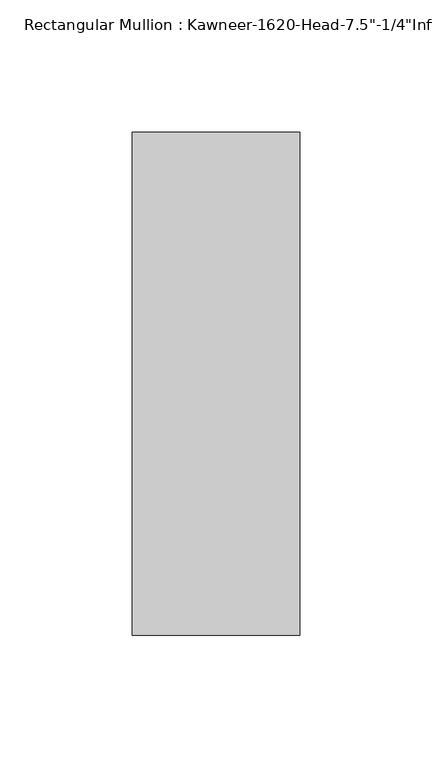
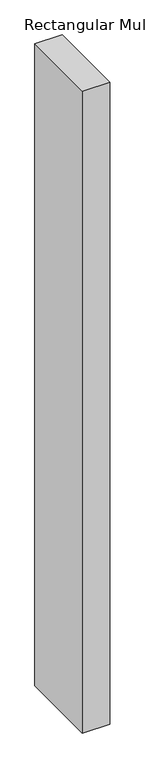
"""IFC4 building model written with IfcOpenShell, lengths in millimetres: member geometry."""

from ifc_helpers import new_model, si_unit, frame, origin, place, context, project, spatial, polyline, outline, extrude, source, transform, mapped, element, save


def member_1941e67e(model_context):
    return source(origin(), model_context, "Body", "SweptSolid", [
        extrude(outline(polyline([(-63.5, 28.575), (0.0, 28.575), (0.0, -161.925), (-63.5, -161.925), (-63.5, 28.575)])), frame((0.0, 0.0, -1574.8), z_axis=(0.0, 0.0, 1.0), x_axis=(1.0, 0.0, 0.0)), (0.0, 0.0, 1.0), 1574.8),
    ])


if __name__ == "__main__":
    model = new_model("IFC4")
    model_context = context("Model", 3, world=origin())
    ifc_project = project(units=[si_unit("LENGTHUNIT", "METRE", prefix="MILLI")], contexts=[model_context])
    site = spatial("IfcSite", under=ifc_project)
    building = spatial("IfcBuilding", under=site)
    placement = place(None, origin())
    member_shape = member_1941e67e(model_context)
    element("IfcMember", 1, ObjectType="Rectangular Mullion : Kawneer-1620-Head-7.5\"-1/4\"Infill-1C", at=placement, inside=building, context=model_context, shape_type="MappedRepresentation", body=[
        mapped(member_shape, transform((0.0, 0.0, 0.0), x_axis=(1.0, 0.0, 0.0), y_axis=(0.0, 1.0, 0.0), z_axis=(0.0, 0.0, 1.0))),
    ])
    save(model, "model.ifc")
